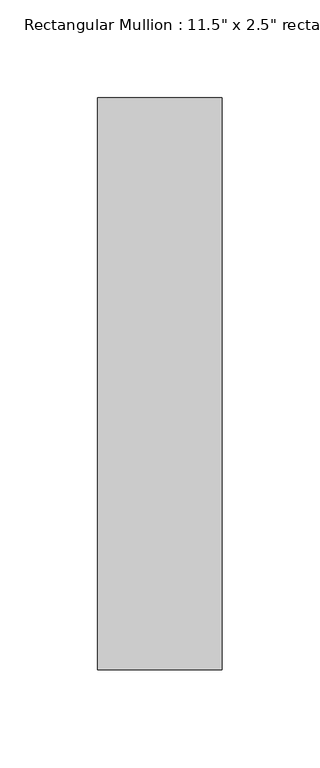
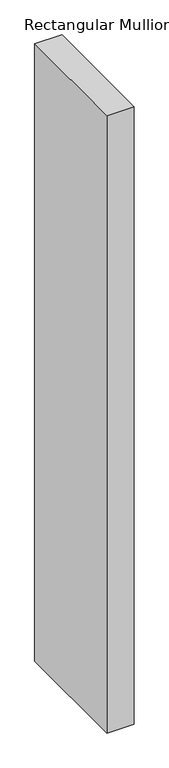
"""IFC4 building model written with IfcOpenShell, lengths in millimetres: member geometry."""

import ifcopenshell
import ifcopenshell.guid

model = None  # the IFC model being written
_history = None  # IfcOwnerHistory: only IFC2X3 demands one
_inside = {}  # id of a spatial element -> (the spatial element, [elements in it])
_under = {}  # id of a project, library or spatial element -> (it, [spatial elements below it])
_declared = {}  # id of a project -> (the project, [libraries it declares])
_typed = {}  # id of a type object -> (the type object, [elements of that type])
_made_of = {}  # id of a material, layer set ... -> (it, [elements and type objects made of it])


def new_model(schema):
    """Start an empty IFC model of exactly this schema.

    Asked for "IFC4X3", IfcOpenShell would pick the latest addendum, in which some entities
    have other attributes; the version numbers below select the first issue.
    IFC2X3 requires an IfcOwnerHistory on every rooted entity: one is made here for all.
    """
    global model, _history
    if schema == "IFC4X3":
        model = ifcopenshell.file(schema_version=(4, 3, 0, 0))
    else:
        model = ifcopenshell.file(schema=schema)
    _inside.clear()
    _under.clear()
    _declared.clear()
    _typed.clear()
    _made_of.clear()
    _history = None
    if model.schema == "IFC2X3":
        org = make("IfcOrganization", Name="unknown")
        user = make(
            "IfcPersonAndOrganization",
            ThePerson=make("IfcPerson", FamilyName="unknown"),
            TheOrganization=org,
        )
        app = make(
            "IfcApplication",
            ApplicationDeveloper=org,
            Version="unknown",
            ApplicationFullName="unknown",
            ApplicationIdentifier="unknown",
        )
        _history = make(
            "IfcOwnerHistory",
            OwningUser=user,
            OwningApplication=app,
            ChangeAction="ADDED",
            CreationDate=0,
        )
    return model


def make(cls, **values):
    """One entity of the class cls with the attributes given. An attribute that is None is left unset."""
    return model.create_entity(
        cls, **{name: value for name, value in values.items() if value is not None}
    )


def rooted(cls, **values):
    """An entity with a GlobalId (a new one), such as an element, a storey or a relation."""
    return make(cls, GlobalId=ifcopenshell.guid.new(), OwnerHistory=_history, **values)


def si_unit(unit_type, name, prefix=None):
    """IfcSIUnit, for example si_unit("LENGTHUNIT", "METRE", prefix="MILLI")."""
    return make("IfcSIUnit", UnitType=unit_type, Prefix=prefix, Name=name)


def assignment(units):
    """IfcUnitAssignment: the units of a project."""
    return None if units is None else make("IfcUnitAssignment", Units=units)


def point(xyz):
    """IfcCartesianPoint."""
    return None if xyz is None else make("IfcCartesianPoint", Coordinates=xyz)


def direction(xyz):
    """IfcDirection."""
    return None if xyz is None else make("IfcDirection", DirectionRatios=xyz)


def frame(location, z_axis=None, x_axis=None):
    """IfcAxis2Placement3D, a coordinate frame: its origin and axes. An axis left out is left unset."""
    return make(
        "IfcAxis2Placement3D",
        Location=point(location),
        Axis=direction(z_axis),
        RefDirection=direction(x_axis),
    )


def origin():
    """The frame at (0, 0, 0) with its axes left unset."""
    return frame((0.0, 0.0, 0.0))


def place(relative_to, where):
    """IfcLocalPlacement: puts the frame where relative to a parent placement (None: the world)."""
    return make(
        "IfcLocalPlacement", PlacementRelTo=relative_to, RelativePlacement=where
    )


def context(
    kind, dimensions, precision=None, world=None, true_north=None, identifier=None
):
    """IfcGeometricRepresentationContext, for example the 3D "Model" context."""
    return make(
        "IfcGeometricRepresentationContext",
        ContextIdentifier=identifier,
        ContextType=kind,
        CoordinateSpaceDimension=dimensions,
        Precision=precision,
        WorldCoordinateSystem=world,
        TrueNorth=true_north,
    )


def project(units=None, contexts=None):
    """IfcProject with its units and contexts."""
    return rooted(
        "IfcProject",
        Name="project",
        RepresentationContexts=contexts,
        UnitsInContext=assignment(units),
    )


def spatial(cls, under=None, at=None, **own):
    """A site, building, storey or space (cls), placed at a placement, below another one or the project."""
    s = rooted(cls, ObjectPlacement=at, **own)
    if under is not None:
        _under.setdefault(under.id(), (under, []))[1].append(s)
    return s


def polyline(points):
    """IfcPolyline through the points."""
    return make("IfcPolyline", Points=[point(p) for p in points])


def outline(outer, holes=None, kind="AREA"):
    """IfcArbitraryClosedProfileDef: a profile drawn as a closed curve; with holes, ...WithVoids."""
    if holes is None:
        return make("IfcArbitraryClosedProfileDef", ProfileType=kind, OuterCurve=outer)
    return make(
        "IfcArbitraryProfileDefWithVoids",
        ProfileType=kind,
        OuterCurve=outer,
        InnerCurves=holes,
    )


def extrude(swept, where, along, depth):
    """IfcExtrudedAreaSolid: the profile swept, set in the frame where, extruded along a direction by depth."""
    return make(
        "IfcExtrudedAreaSolid",
        SweptArea=swept,
        Position=where,
        ExtrudedDirection=direction(along),
        Depth=depth,
    )


def shape(context_of_items, identifier, shape_type, items):
    """IfcShapeRepresentation: the items that make up one representation, for example the "Body"."""
    return make(
        "IfcShapeRepresentation",
        ContextOfItems=context_of_items,
        RepresentationIdentifier=identifier,
        RepresentationType=shape_type,
        Items=items,
    )


def source(mapping_origin, context_of_items, identifier, shape_type, items):
    """IfcRepresentationMap: a shape defined once, which mapped items show again and again."""
    return make(
        "IfcRepresentationMap",
        MappingOrigin=mapping_origin,
        MappedRepresentation=shape(context_of_items, identifier, shape_type, items),
    )


def transform(
    local_origin,
    x_axis=None,
    y_axis=None,
    z_axis=None,
    scale=None,
    scale2=None,
    scale3=None,
    uniform=True,
):
    """IfcCartesianTransformationOperator3D, or its non-uniform kind. x_axis, y_axis, z_axis: its Axis1, 2, 3."""
    if uniform:
        return make(
            "IfcCartesianTransformationOperator3D",
            Axis1=direction(x_axis),
            Axis2=direction(y_axis),
            LocalOrigin=point(local_origin),
            Scale=scale,
            Axis3=direction(z_axis),
        )
    return make(
        "IfcCartesianTransformationOperator3DnonUniform",
        Axis1=direction(x_axis),
        Axis2=direction(y_axis),
        LocalOrigin=point(local_origin),
        Scale=scale,
        Axis3=direction(z_axis),
        Scale2=scale2,
        Scale3=scale3,
    )


def mapped(mapping_source, mapping_target):
    """IfcMappedItem: shows the shape of a source again, moved by a transform."""
    return make(
        "IfcMappedItem", MappingSource=mapping_source, MappingTarget=mapping_target
    )


def made_of(thing, what):
    """Note that an element or type object is made of a material, layer set ...; save() writes the relation."""
    if what is not None:
        _made_of.setdefault(what.id(), (what, []))[1].append(thing)
    return thing


def element(
    cls,
    number,
    at=None,
    inside=None,
    cuts=None,
    type_object=None,
    material=None,
    context=None,
    identifier="Body",
    shape_type=None,
    held_by="IfcProductDefinitionShape",
    body=None,
    shapes=None,
    **own,
):
    """One element of the class cls, such as IfcWall. Its Tag is "e" and its number.

    at: its placement. inside: the storey or other place that contains it. cuts: it is an
    opening in that element (IfcRelVoidsElement). A single representation is given by context,
    identifier, shape_type and body (its items); several are given by shapes. held_by: the class
    of the entity that holds the representations. save() writes the other relations.
    """
    e = rooted(cls, Tag="e%d" % number, ObjectPlacement=at, **own)
    if body is not None:
        shapes = [shape(context, identifier, shape_type, body)]
    if shapes is not None:
        e.Representation = make(held_by, Representations=shapes)
    if inside is not None:
        _inside.setdefault(inside.id(), (inside, []))[1].append(e)
    if cuts is not None:
        rooted(
            "IfcRelVoidsElement", RelatingBuildingElement=cuts, RelatedOpeningElement=e
        )
    if type_object is not None:
        _typed.setdefault(type_object.id(), (type_object, []))[1].append(e)
    return made_of(e, material)


def aggregate(whole, parts):
    """IfcRelAggregates: a whole, such as a stair, and the parts it consists of."""
    return rooted("IfcRelAggregates", RelatingObject=whole, RelatedObjects=parts)


def save(model, path):
    """Write the relations noted so far, then the file.

    IfcRelAggregates (storeys below a building ...), IfcRelContainedInSpatialStructure (elements
    in a storey), IfcRelDefinesByType, IfcRelAssociatesMaterial and IfcRelDeclares: one each for
    every whole, place, type object, material and project.
    """
    for whole, parts in _under.values():
        aggregate(whole, parts)
    for where, things in _inside.values():
        rooted(
            "IfcRelContainedInSpatialStructure",
            RelatedElements=things,
            RelatingStructure=where,
        )
    for kind, things in _typed.values():
        rooted("IfcRelDefinesByType", RelatedObjects=things, RelatingType=kind)
    for what, things in _made_of.values():
        rooted("IfcRelAssociatesMaterial", RelatedObjects=things, RelatingMaterial=what)
    for by, libraries in _declared.values():
        rooted("IfcRelDeclares", RelatingContext=by, RelatedDefinitions=libraries)
    model.write(path)


def member_08e4933f(model_context):
    return source(origin(), model_context, "Body", "SweptSolid", [
        extrude(outline(polyline([(0.0, 203.2), (0.0, -88.9), (-63.5, -88.9), (-63.5, 203.2), (0.0, 203.2)])), frame((0.0, 0.0, -1524.0), z_axis=(0.0, 0.0, 1.0), x_axis=(1.0, 0.0, 0.0)), (0.0, 0.0, 1.0), 1524.0),
    ])


if __name__ == "__main__":
    model = new_model("IFC4")
    model_context = context("Model", 3, world=origin())
    ifc_project = project(units=[si_unit("LENGTHUNIT", "METRE", prefix="MILLI")], contexts=[model_context])
    site = spatial("IfcSite", under=ifc_project)
    building = spatial("IfcBuilding", under=site)
    placement = place(None, origin())
    member_shape = member_08e4933f(model_context)
    element("IfcMember", 1, ObjectType="Rectangular Mullion : 11.5\" x 2.5\" rectangular", at=placement, inside=building, context=model_context, shape_type="MappedRepresentation", body=[
        mapped(member_shape, transform((0.0, 0.0, 0.0), x_axis=(1.0, 0.0, 0.0), y_axis=(0.0, 1.0, 0.0), z_axis=(0.0, 0.0, 1.0))),
    ])
    save(model, "model.ifc")
